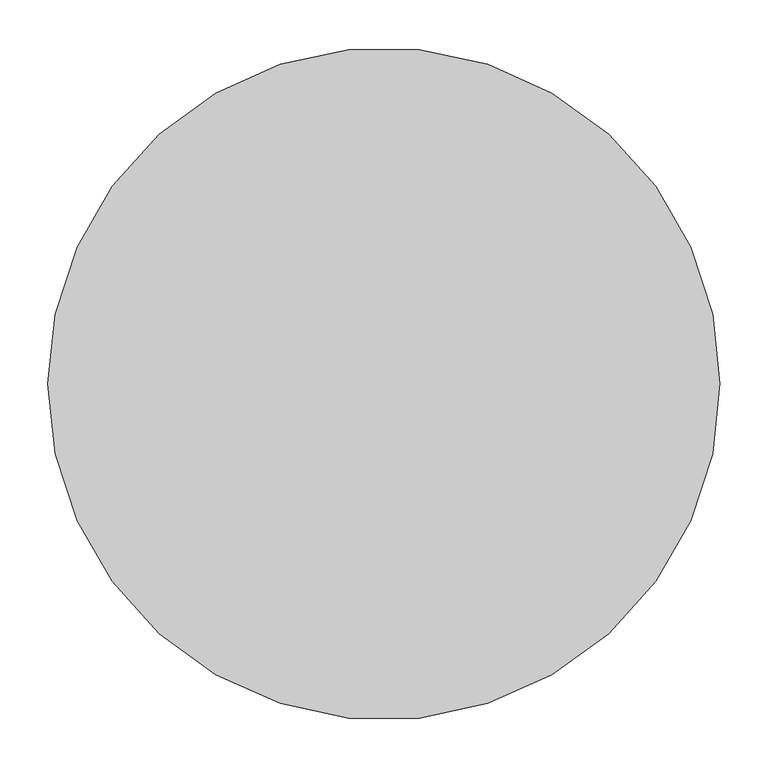
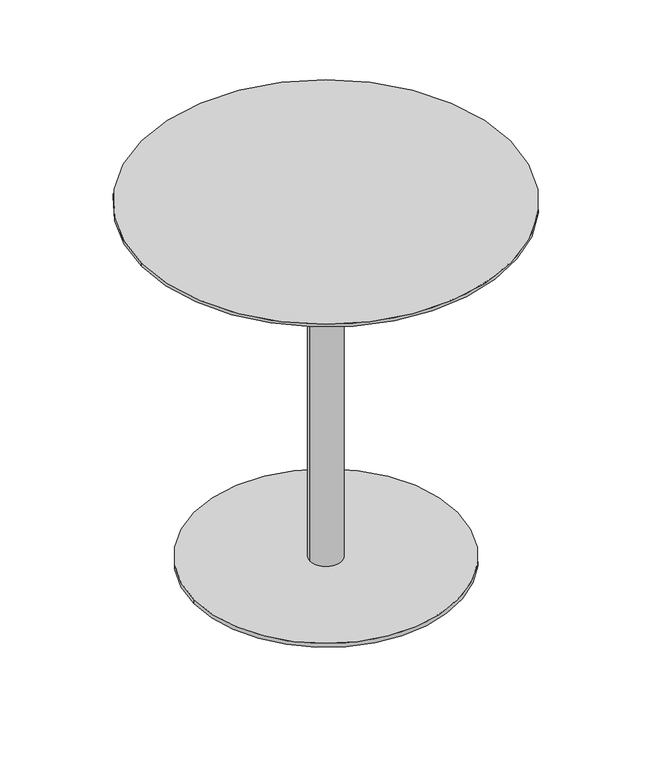
"""IFC4 building model written with IfcOpenShell, lengths in millimetres: furniture geometry."""

from ifc_helpers import new_model, si_unit, point, frame, frame_2d, origin, origin_with_axes, origin_2d, place, context, project, spatial, circle_curve, trimmed, segment, composite_curve, outline, extrude, source, transform, mapped, element, save


def furniture_0c5c4a3b(model_context):
    return source(origin(), model_context, "Body", "SweptSolid", [
        extrude(outline(composite_curve([segment(trimmed(circle_curve(frame_2d((-182.7252773, -105.5634299)), 19.0), [point((-201.7252773, -105.5634299))], [point((-163.7252773, -105.5634299))], False, "CARTESIAN"), True, "CONTINUOUS"), segment(trimmed(circle_curve(frame_2d((-182.7252773, -105.5634299)), 19.0), [point((-163.7252773, -105.5634299))], [point((-201.7252773, -105.5634299))], False, "CARTESIAN"), True, "CONTINUOUS")], self_intersect=False)), origin_with_axes(), (0.0, 0.0, 1.0), 12.0),
        extrude(outline(composite_curve([segment(trimmed(circle_curve(frame_2d((182.7252773, -105.5634299)), 19.0), [point((201.7252773, -105.5634299))], [point((163.7252773, -105.5634299))], False, "CARTESIAN"), True, "CONTINUOUS"), segment(trimmed(circle_curve(frame_2d((182.7252773, -105.5634299)), 19.0), [point((163.7252773, -105.5634299))], [point((201.7252773, -105.5634299))], False, "CARTESIAN"), True, "CONTINUOUS")], self_intersect=False)), origin_with_axes(), (0.0, 0.0, 1.0), 12.0),
        extrude(outline(composite_curve([segment(trimmed(circle_curve(frame_2d((0.0, 211.0)), 19.0), [point((19.0, 211.0))], [point((-19.0, 211.0))], False, "CARTESIAN"), True, "CONTINUOUS"), segment(trimmed(circle_curve(frame_2d((0.0, 211.0)), 19.0), [point((-19.0, 211.0))], [point((19.0, 211.0))], False, "CARTESIAN"), True, "CONTINUOUS")], self_intersect=False)), origin_with_axes(), (0.0, 0.0, 1.0), 12.0),
        extrude(outline(composite_curve([segment(trimmed(circle_curve(origin_2d(), 249.962756), [point((-249.962756, 0.0))], [point((249.962756, 0.0))], False, "CARTESIAN"), True, "CONTINUOUS"), segment(trimmed(circle_curve(origin_2d(), 249.962756), [point((249.962756, 0.0))], [point((-249.962756, 0.0))], False, "CARTESIAN"), True, "CONTINUOUS")], self_intersect=False)), frame((0.0, 0.0, 12.0), z_axis=(0.0, 0.0, 1.0), x_axis=(1.0, 0.0, 0.0)), (0.0, 0.0, 1.0), 7.85),
        extrude(outline(composite_curve([segment(trimmed(circle_curve(origin_2d(), 30.15), [point((-30.15, 0.0))], [point((30.15, 0.0))], False, "CARTESIAN"), True, "CONTINUOUS"), segment(trimmed(circle_curve(origin_2d(), 30.15), [point((30.15, 0.0))], [point((-30.15, 0.0))], False, "CARTESIAN"), True, "CONTINUOUS")], self_intersect=False)), frame((0.0, 0.0, 19.85), z_axis=(0.0, 0.0, 1.0), x_axis=(1.0, 0.0, 0.0)), (0.0, 0.0, 1.0), 704.0),
        extrude(outline(composite_curve([segment(trimmed(circle_curve(origin_2d(), 350.0), [point((-350.0, 0.0))], [point((350.0, 0.0))], False, "CARTESIAN"), True, "CONTINUOUS"), segment(trimmed(circle_curve(origin_2d(), 350.0), [point((350.0, 0.0))], [point((-350.0, 0.0))], False, "CARTESIAN"), True, "CONTINUOUS")], self_intersect=False)), frame((0.0, 0.0, 723.85), z_axis=(0.0, 0.0, 1.0), x_axis=(1.0, 0.0, 0.0)), (0.0, 0.0, 1.0), 5.86),
    ])


if __name__ == "__main__":
    model = new_model("IFC4")
    model_context = context("Model", 3, world=origin())
    ifc_project = project(units=[si_unit("LENGTHUNIT", "METRE", prefix="MILLI")], contexts=[model_context])
    site = spatial("IfcSite", under=ifc_project)
    building = spatial("IfcBuilding", under=site)
    placement = place(None, origin())
    furniture_shape = furniture_0c5c4a3b(model_context)
    element("IfcFurniture", 1, at=placement, inside=building, context=model_context, shape_type="MappedRepresentation", body=[
        mapped(furniture_shape, transform((0.0, 0.0, 0.0), x_axis=(1.0, 0.0, 0.0), y_axis=(0.0, 1.0, 0.0), z_axis=(0.0, 0.0, 1.0))),
    ])
    save(model, "model.ifc")
